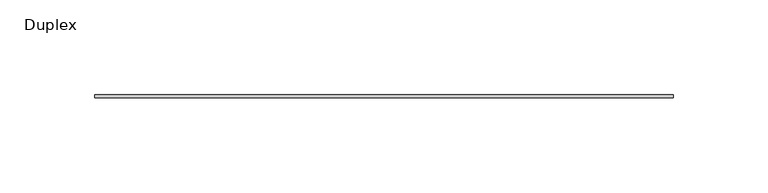
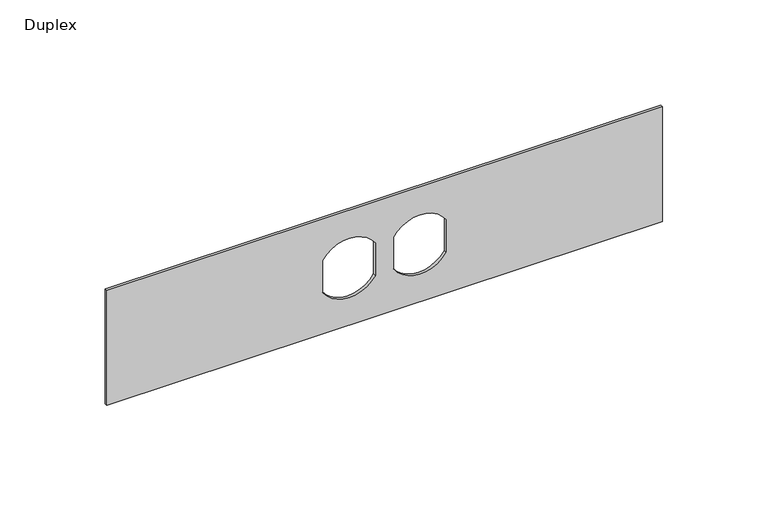
"""IFC4 building model written with IfcOpenShell, lengths in millimetres: furniture geometry, Duplex."""

from ifc_helpers import new_model, si_unit, point, frame, frame_2d, origin, place, context, project, spatial, polyline, circle_curve, trimmed, segment, composite_curve, outline, extrude, source, transform, mapped, element, save


def duplex_0dcd92d4(model_context):
    return source(origin(), model_context, "Body", "SweptSolid", [
        extrude(outline(polyline([(1127.125, 171.1377049), (1127.125, -133.6622951), (1060.45, -133.6622951), (1060.45, 171.1377049), (1127.125, 171.1377049)]), holes=[composite_curve([segment(polyline([(1103.1140625, 13.6775487), (1084.4884118, 13.6775487)]), True, "CONTINUOUS"), segment(trimmed(circle_curve(frame_2d((1093.7875, -0.7091701)), 17.1304033), [point((1084.4884118, 13.6775487))], [point((1084.3366767, -14.9966701))], True, "CARTESIAN"), True, "CONTINUOUS"), segment(polyline([(1084.3366767, -14.9966701), (1103.1140625, -14.9966701)]), True, "CONTINUOUS"), segment(trimmed(circle_curve(frame_2d((1093.7386685, -0.6595607)), 17.1304033), [point((1103.1140625, -14.9966701))], [point((1103.1140625, 13.6775487))], True, "CARTESIAN"), True, "CONTINUOUS")], self_intersect=False), composite_curve([segment(trimmed(circle_curve(frame_2d((1093.7875, 38.1845799)), 17.1304033), [point((1103.0865882, 23.7978612))], [point((1103.2383233, 52.4720799))], True, "CARTESIAN"), True, "CONTINUOUS"), segment(polyline([(1103.2383233, 52.4720799), (1084.3366767, 52.4720799)]), True, "CONTINUOUS"), segment(trimmed(circle_curve(frame_2d((1093.7875, 38.1845799)), 17.1304033), [point((1084.3366767, 52.4720799))], [point((1084.4884118, 23.7978612))], True, "CARTESIAN"), True, "CONTINUOUS"), segment(polyline([(1084.4884118, 23.7978612), (1103.0865882, 23.7978612)]), True, "CONTINUOUS")], self_intersect=False)]), frame((0.0, -1.5875, 0.0), z_axis=(0.0, 1.0, 0.0), x_axis=(0.0, 0.0, 1.0)), (0.0, 0.0, 1.0), 1.5875),
    ])


if __name__ == "__main__":
    model = new_model("IFC4")
    model_context = context("Model", 3, world=origin())
    ifc_project = project(units=[si_unit("LENGTHUNIT", "METRE", prefix="MILLI")], contexts=[model_context])
    site = spatial("IfcSite", under=ifc_project)
    building = spatial("IfcBuilding", under=site)
    placement = place(None, origin())
    duplex_shape = duplex_0dcd92d4(model_context)
    element("IfcFurniture", 1, ObjectType="Duplex", at=placement, inside=building, context=model_context, shape_type="MappedRepresentation", body=[
        mapped(duplex_shape, transform((0.0, 0.0, 0.0), x_axis=(1.0, 0.0, 0.0), y_axis=(0.0, 1.0, 0.0), z_axis=(0.0, 0.0, 1.0))),
    ])
    save(model, "model.ifc")
